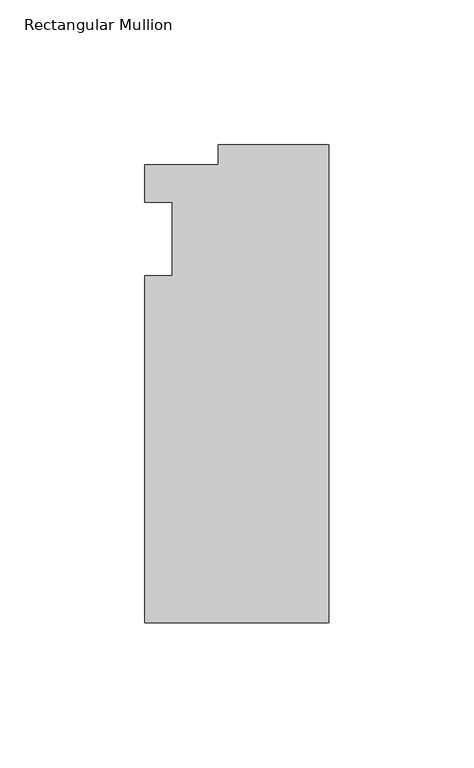
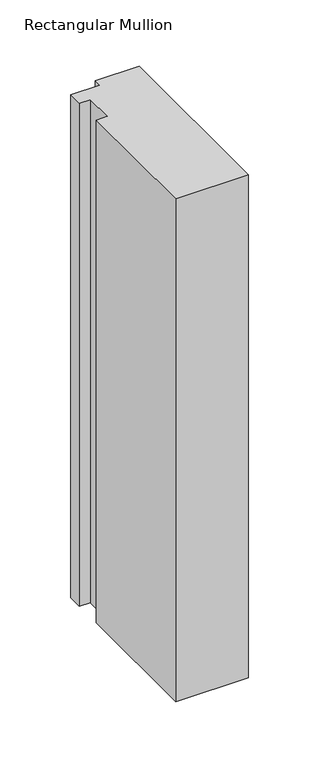
"""IFC4 building model written with IfcOpenShell, lengths in millimetres: member geometry, Rectangular Mullion."""

from ifc_helpers import new_model, si_unit, frame, origin, place, context, project, spatial, polyline, outline, extrude, source, transform, mapped, element, save


def rectangular_mullion_556c4ffd(model_context):
    return source(origin(), model_context, "Body", "SweptSolid", [
        extrude(outline(polyline([(-38.1, 32.54375), (0.0, 32.54375), (0.0, -132.55625), (-63.5, -132.55625), (-63.5, -12.7), (-53.975, -12.7), (-53.975, 12.7), (-63.5, 12.7), (-63.5, 25.58415), (-38.1, 25.58415), (-38.1, 32.54375)])), frame((0.0, 0.0, -463.5501993), z_axis=(0.0, 0.0, 1.0), x_axis=(1.0, 0.0, 0.0)), (0.0, 0.0, 1.0), 463.5501993),
    ])


if __name__ == "__main__":
    model = new_model("IFC4")
    model_context = context("Model", 3, world=origin())
    ifc_project = project(units=[si_unit("LENGTHUNIT", "METRE", prefix="MILLI")], contexts=[model_context])
    site = spatial("IfcSite", under=ifc_project)
    building = spatial("IfcBuilding", under=site)
    placement = place(None, origin())
    rectangular_mullion_shape = rectangular_mullion_556c4ffd(model_context)
    element("IfcMember", 1, ObjectType="Rectangular Mullion", at=placement, inside=building, context=model_context, shape_type="MappedRepresentation", body=[
        mapped(rectangular_mullion_shape, transform((0.0, 0.0, 0.0), x_axis=(1.0, 0.0, 0.0), y_axis=(0.0, 1.0, 0.0), z_axis=(0.0, 0.0, 1.0))),
    ])
    save(model, "model.ifc")
